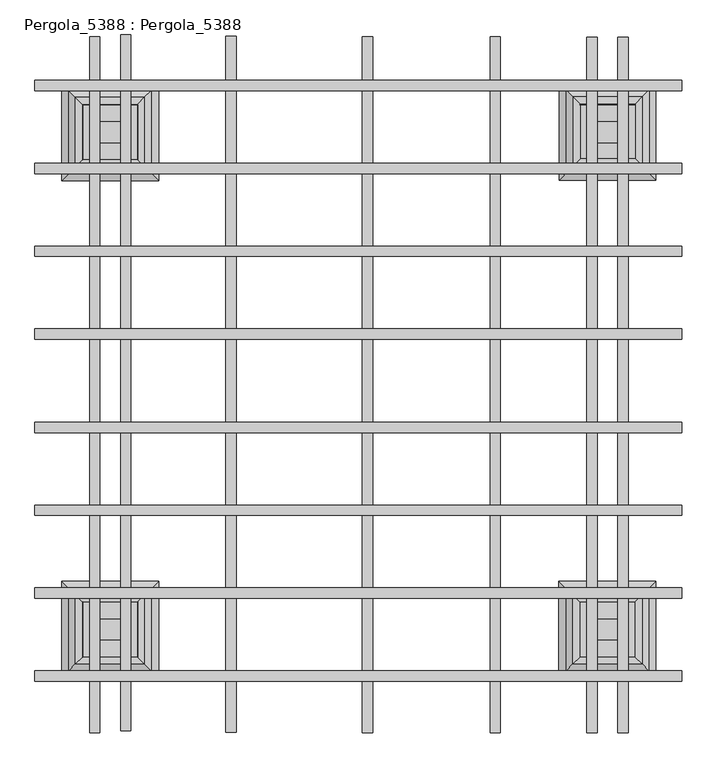
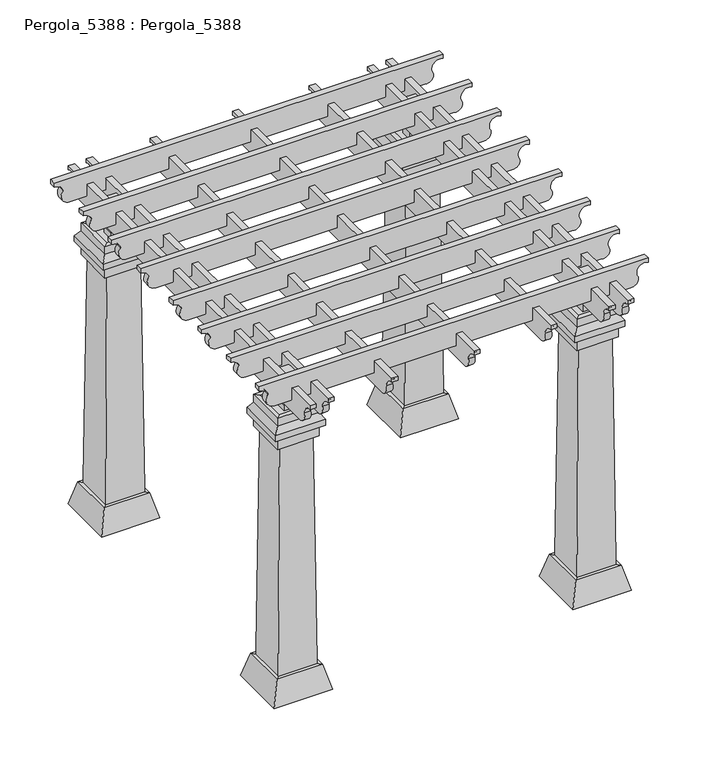
"""IFC4 building model written with IfcOpenShell, lengths in millimetres: proxy geometry, Pergola_5388 : Pergola_5388."""

from ifc_helpers import new_model, si_unit, point, frame, frame_2d, origin, place, context, project, spatial, polyline, circle_curve, trimmed, segment, composite_curve, outline, extrude, faceted_brep, source, transform, mapped, element, save


def pergola_5388_pergola_5388_b8e3ea8b(model_context):
    return source(origin(), model_context, "Body", "SolidModel", [
        extrude(outline(composite_curve([segment(polyline([(4142.2459168, 3785.9473348), (-548.5767424, 3785.9473348)]), True, "CONTINUOUS"), segment(trimmed(circle_curve(frame_2d((-548.5767424, 3892.9128828)), 106.965548), [point((-548.5767424, 3785.9473348))], [point((-649.7339722, 3927.681307))], False, "CARTESIAN"), True, "CONTINUOUS"), segment(trimmed(circle_curve(frame_2d((-762.0, 3927.681307)), 112.2660278), [point((-649.7339722, 3927.681307))], [point((-762.0, 4039.9473348))], True, "CARTESIAN"), True, "CONTINUOUS"), segment(polyline([(-762.0, 4039.9473348), (-762.0, 4090.7473348), (4355.6691745, 4090.7473348), (4355.6691745, 4039.9473348)]), True, "CONTINUOUS"), segment(trimmed(circle_curve(frame_2d((4310.9723112, 3954.4304844)), 96.4932189), [point((4355.6691745, 4039.9473348))], [point((4225.4554607, 3909.733621))], True, "CARTESIAN"), True, "CONTINUOUS"), segment(trimmed(circle_curve(frame_2d((4157.6852949, 3865.4289407)), 80.9672778), [point((4225.4554607, 3909.733621))], [point((4142.2459168, 3785.9473348))], False, "CARTESIAN"), True, "CONTINUOUS")], self_intersect=False)), frame((3505.2, 0.0, 0.0), z_axis=(1.0, 0.0, 0.0), x_axis=(0.0, 1.0, 0.0)), (0.0, 0.0, 1.0), 76.2),
        extrude(outline(composite_curve([segment(polyline([(4159.4392171, 3785.9473348), (-531.3834421, 3785.9473348)]), True, "CONTINUOUS"), segment(trimmed(circle_curve(frame_2d((-531.3834421, 3892.9128828)), 106.965548), [point((-531.3834421, 3785.9473348))], [point((-632.5406719, 3927.681307))], False, "CARTESIAN"), True, "CONTINUOUS"), segment(trimmed(circle_curve(frame_2d((-744.8066997, 3927.681307)), 112.2660278), [point((-632.5406719, 3927.681307))], [point((-744.8066997, 4039.9473348))], True, "CARTESIAN"), True, "CONTINUOUS"), segment(polyline([(-744.8066997, 4039.9473348), (-744.8066997, 4090.7473348), (4372.8624748, 4090.7473348), (4372.8624748, 4039.9473348)]), True, "CONTINUOUS"), segment(trimmed(circle_curve(frame_2d((4328.1656114, 3954.4304844)), 96.4932189), [point((4372.8624748, 4039.9473348))], [point((4242.648761, 3909.733621))], True, "CARTESIAN"), True, "CONTINUOUS"), segment(trimmed(circle_curve(frame_2d((4174.8785952, 3865.4289407)), 80.9672778), [point((4242.648761, 3909.733621))], [point((4159.4392171, 3785.9473348))], False, "CARTESIAN"), True, "CONTINUOUS")], self_intersect=False)), frame((76.2, 0.0, 0.0), z_axis=(1.0, 0.0, 0.0), x_axis=(0.0, 1.0, 0.0)), (0.0, 0.0, 1.0), 76.2),
        faceted_brep([(3935.2311668, -279.9975343, 304.8), (4011.4311668, -356.1975343, 0.0), (4011.4311668, 355.0024657, 0.0), (3935.2311668, 278.8024657, 304.8), (3859.0311668, -203.7975343, 304.8), (3859.0311668, 202.6024657, 304.8), (3859.0311668, -203.7975343, 0.0), (3859.0311668, 202.6024657, 0.0), (3300.2311668, 355.0024657, 0.0), (3376.4311668, 278.8024657, 304.8), (3452.6311668, 202.6024657, 304.8), (3452.6311668, 202.6024657, 0.0), (3300.2311668, -356.1975343, 0.0), (3376.4311668, -279.9975343, 304.8), (3452.6311668, -203.7975343, 304.8), (3452.6311668, -203.7975343, 0.0)], [[[0, 1, 2, 3]], [[4, 0, 3, 5]], [[6, 4, 5, 7]], [[1, 6, 7, 2]], [[3, 2, 8, 9]], [[5, 3, 9, 10]], [[7, 5, 10, 11]], [[2, 7, 11, 8]], [[9, 8, 12, 13]], [[10, 9, 13, 14]], [[11, 10, 14, 15]], [[8, 11, 15, 12]], [[13, 12, 1, 0]], [[14, 13, 0, 4]], [[15, 14, 4, 6]], [[12, 15, 6, 1]]]),
        faceted_brep([(3936.1684451, 3380.1519245, 304.8), (4012.3684451, 3303.9519245, 0.0), (4012.3684451, 4015.1519245, 0.0), (3936.1684451, 3938.9519245, 304.8), (3859.9684451, 3456.3519245, 304.8), (3859.9684451, 3862.7519245, 304.8), (3859.9684451, 3456.3519245, 0.0), (3859.9684451, 3862.7519245, 0.0), (3301.1684451, 4015.1519245, 0.0), (3377.3684451, 3938.9519245, 304.8), (3453.5684451, 3862.7519245, 304.8), (3453.5684451, 3862.7519245, 0.0), (3301.1684451, 3303.9519245, 0.0), (3377.3684451, 3380.1519245, 304.8), (3453.5684451, 3456.3519245, 304.8), (3453.5684451, 3456.3519245, 0.0)], [[[0, 1, 2, 3]], [[4, 0, 3, 5]], [[6, 4, 5, 7]], [[1, 6, 7, 2]], [[3, 2, 8, 9]], [[5, 3, 9, 10]], [[7, 5, 10, 11]], [[2, 7, 11, 8]], [[9, 8, 12, 13]], [[10, 9, 13, 14]], [[11, 10, 14, 15]], [[8, 11, 15, 12]], [[13, 12, 1, 0]], [[14, 13, 0, 4]], [[15, 14, 4, 6]], [[12, 15, 6, 1]]]),
        faceted_brep([(278.971182, 3378.5428358, 304.8), (355.171182, 3302.3428358, 0.0), (355.171182, 4013.5428358, 0.0), (278.971182, 3937.3428358, 304.8), (202.771182, 3454.7428358, 304.8), (202.771182, 3861.1428358, 304.8), (202.771182, 3454.7428358, 0.0), (202.771182, 3861.1428358, 0.0), (-356.028818, 4013.5428358, 0.0), (-279.828818, 3937.3428358, 304.8), (-203.628818, 3861.1428358, 304.8), (-203.628818, 3861.1428358, 0.0), (-356.028818, 3302.3428358, 0.0), (-279.828818, 3378.5428358, 304.8), (-203.628818, 3454.7428358, 304.8), (-203.628818, 3454.7428358, 0.0)], [[[0, 1, 2, 3]], [[4, 0, 3, 5]], [[6, 4, 5, 7]], [[1, 6, 7, 2]], [[3, 2, 8, 9]], [[5, 3, 9, 10]], [[7, 5, 10, 11]], [[2, 7, 11, 8]], [[9, 8, 12, 13]], [[10, 9, 13, 14]], [[11, 10, 14, 15]], [[8, 11, 15, 12]], [[13, 12, 1, 0]], [[14, 13, 0, 4]], [[15, 14, 4, 6]], [[12, 15, 6, 1]]]),
        faceted_brep([(3864.0636542, 3461.3981093, 3657.6), (3914.8636542, 3410.5981093, 3657.6), (3914.8636542, 3918.5981093, 3657.6), (3864.0636542, 3867.7981093, 3657.6), (3864.0636542, 3461.3981093, 3251.2), (3864.0636542, 3867.7981093, 3251.2), (3914.8636542, 3410.5981093, 3251.2), (3914.8636542, 3918.5981093, 3251.2), (3914.8636542, 3410.5981093, 3403.6), (3914.8636542, 3918.5981093, 3403.6), (3965.6636542, 3359.7981093, 3403.6), (3965.6636542, 3969.3981093, 3403.6), (3965.6636542, 3359.7981093, 3479.8), (3965.6636542, 3969.3981093, 3479.8), (3914.8636542, 3410.5981093, 3556.0), (3914.8636542, 3918.5981093, 3556.0), (3406.8636542, 3918.5981093, 3657.6), (3457.6636542, 3867.7981093, 3657.6), (3457.6636542, 3867.7981093, 3251.2), (3406.8636542, 3918.5981093, 3251.2), (3406.8636542, 3918.5981093, 3403.6), (3356.0636542, 3969.3981093, 3403.6), (3356.0636542, 3969.3981093, 3479.8), (3406.8636542, 3918.5981093, 3556.0), (3406.8636542, 3410.5981093, 3657.6), (3457.6636542, 3461.3981093, 3657.6), (3457.6636542, 3461.3981093, 3251.2), (3406.8636542, 3410.5981093, 3251.2), (3406.8636542, 3410.5981093, 3403.6), (3356.0636542, 3359.7981093, 3403.6), (3356.0636542, 3359.7981093, 3479.8), (3406.8636542, 3410.5981093, 3556.0)], [[[0, 1, 2, 3]], [[4, 0, 3, 5]], [[6, 4, 5, 7]], [[8, 6, 7, 9]], [[10, 8, 9, 11]], [[12, 10, 11, 13]], [[14, 12, 13, 15]], [[1, 14, 15, 2]], [[3, 2, 16, 17]], [[5, 3, 17, 18]], [[7, 5, 18, 19]], [[9, 7, 19, 20]], [[11, 9, 20, 21]], [[13, 11, 21, 22]], [[15, 13, 22, 23]], [[2, 15, 23, 16]], [[17, 16, 24, 25]], [[18, 17, 25, 26]], [[19, 18, 26, 27]], [[20, 19, 27, 28]], [[21, 20, 28, 29]], [[22, 21, 29, 30]], [[23, 22, 30, 31]], [[16, 23, 31, 24]], [[25, 24, 1, 0]], [[26, 25, 0, 4]], [[27, 26, 4, 6]], [[28, 27, 6, 8]], [[29, 28, 8, 10]], [[30, 29, 10, 12]], [[31, 30, 12, 14]], [[24, 31, 14, 1]]]),
        faceted_brep([(201.178572, 3455.6748513, 3657.6), (251.978572, 3404.8748513, 3657.6), (251.978572, 3912.8748513, 3657.6), (201.178572, 3862.0748513, 3657.6), (201.178572, 3455.6748513, 3251.2), (201.178572, 3862.0748513, 3251.2), (251.978572, 3404.8748513, 3251.2), (251.978572, 3912.8748513, 3251.2), (251.978572, 3404.8748513, 3403.6), (251.978572, 3912.8748513, 3403.6), (302.778572, 3354.0748513, 3403.6), (302.778572, 3963.6748513, 3403.6), (302.778572, 3354.0748513, 3479.8), (302.778572, 3963.6748513, 3479.8), (251.978572, 3404.8748513, 3556.0), (251.978572, 3912.8748513, 3556.0), (-256.021428, 3912.8748513, 3657.6), (-205.221428, 3862.0748513, 3657.6), (-205.221428, 3862.0748513, 3251.2), (-256.021428, 3912.8748513, 3251.2), (-256.021428, 3912.8748513, 3403.6), (-306.821428, 3963.6748513, 3403.6), (-306.821428, 3963.6748513, 3479.8), (-256.021428, 3912.8748513, 3556.0), (-256.021428, 3404.8748513, 3657.6), (-205.221428, 3455.6748513, 3657.6), (-205.221428, 3455.6748513, 3251.2), (-256.021428, 3404.8748513, 3251.2), (-256.021428, 3404.8748513, 3403.6), (-306.821428, 3354.0748513, 3403.6), (-306.821428, 3354.0748513, 3479.8), (-256.021428, 3404.8748513, 3556.0)], [[[0, 1, 2, 3]], [[4, 0, 3, 5]], [[6, 4, 5, 7]], [[8, 6, 7, 9]], [[10, 8, 9, 11]], [[12, 10, 11, 13]], [[14, 12, 13, 15]], [[1, 14, 15, 2]], [[3, 2, 16, 17]], [[5, 3, 17, 18]], [[7, 5, 18, 19]], [[9, 7, 19, 20]], [[11, 9, 20, 21]], [[13, 11, 21, 22]], [[15, 13, 22, 23]], [[2, 15, 23, 16]], [[17, 16, 24, 25]], [[18, 17, 25, 26]], [[19, 18, 26, 27]], [[20, 19, 27, 28]], [[21, 20, 28, 29]], [[22, 21, 29, 30]], [[23, 22, 30, 31]], [[16, 23, 31, 24]], [[25, 24, 1, 0]], [[26, 25, 0, 4]], [[27, 26, 4, 6]], [[28, 27, 6, 8]], [[29, 28, 8, 10]], [[30, 29, 10, 12]], [[31, 30, 12, 14]], [[24, 31, 14, 1]]]),
        faceted_brep([(201.178572, -203.2, 3657.6), (251.978572, -254.0, 3657.6), (251.978572, 254.0, 3657.6), (201.178572, 203.2, 3657.6), (201.178572, -203.2, 3251.2), (201.178572, 203.2, 3251.2), (251.978572, -254.0, 3251.2), (251.978572, 254.0, 3251.2), (251.978572, -254.0, 3403.6), (251.978572, 254.0, 3403.6), (302.778572, -304.8, 3403.6), (302.778572, 304.8, 3403.6), (302.778572, -304.8, 3479.8), (302.778572, 304.8, 3479.8), (251.978572, -254.0, 3556.0), (251.978572, 254.0, 3556.0), (-256.021428, 254.0, 3657.6), (-205.221428, 203.2, 3657.6), (-205.221428, 203.2, 3251.2), (-256.021428, 254.0, 3251.2), (-256.021428, 254.0, 3403.6), (-306.821428, 304.8, 3403.6), (-306.821428, 304.8, 3479.8), (-256.021428, 254.0, 3556.0), (-256.021428, -254.0, 3657.6), (-205.221428, -203.2, 3657.6), (-205.221428, -203.2, 3251.2), (-256.021428, -254.0, 3251.2), (-256.021428, -254.0, 3403.6), (-306.821428, -304.8, 3403.6), (-306.821428, -304.8, 3479.8), (-256.021428, -254.0, 3556.0)], [[[0, 1, 2, 3]], [[4, 0, 3, 5]], [[6, 4, 5, 7]], [[8, 6, 7, 9]], [[10, 8, 9, 11]], [[12, 10, 11, 13]], [[14, 12, 13, 15]], [[1, 14, 15, 2]], [[3, 2, 16, 17]], [[5, 3, 17, 18]], [[7, 5, 18, 19]], [[9, 7, 19, 20]], [[11, 9, 20, 21]], [[13, 11, 21, 22]], [[15, 13, 22, 23]], [[2, 15, 23, 16]], [[17, 16, 24, 25]], [[18, 17, 25, 26]], [[19, 18, 26, 27]], [[20, 19, 27, 28]], [[21, 20, 28, 29]], [[22, 21, 29, 30]], [[23, 22, 30, 31]], [[16, 23, 31, 24]], [[25, 24, 1, 0]], [[26, 25, 0, 4]], [[27, 26, 4, 6]], [[28, 27, 6, 8]], [[29, 28, 8, 10]], [[30, 29, 10, 12]], [[31, 30, 12, 14]], [[24, 31, 14, 1]]]),
        extrude(outline(composite_curve([segment(trimmed(circle_curve(frame_2d((4016.722767, 4007.0715628)), 80.9672778), [point((3937.2411611, 3991.6321847))], [point((4061.0274473, 4074.8417286))], False, "CARTESIAN"), True, "CONTINUOUS"), segment(trimmed(circle_curve(frame_2d((4105.7243106, 4160.3585791)), 96.4932189), [point((4061.0274473, 4074.8417286))], [point((4191.2411611, 4205.0554424))], True, "CARTESIAN"), True, "CONTINUOUS"), segment(polyline([(4191.2411611, 4205.0554424), (4245.9633955, 4205.0554424), (4245.9633955, -554.0976937), (4191.2411611, -554.0976937)]), True, "CONTINUOUS"), segment(trimmed(circle_curve(frame_2d((4078.9751333, -554.0976937)), 112.2660278), [point((4191.2411611, -554.0976937))], [point((4111.8041264, -446.7388644))], True, "CARTESIAN"), True, "CONTINUOUS"), segment(trimmed(circle_curve(frame_2d((4044.2067091, -363.8400246)), 106.965548), [point((4111.8041264, -446.7388644))], [point((3937.2411611, -363.8400246))], False, "CARTESIAN"), True, "CONTINUOUS"), segment(polyline([(3937.2411611, -363.8400246), (3937.2411611, 3991.6321847)]), True, "CONTINUOUS")], self_intersect=False)), frame((0.0, -381.0, 0.0), z_axis=(0.0, 1.0, 0.0), x_axis=(0.0, 0.0, 1.0)), (0.0, 0.0, 1.0), 76.2),
        extrude(outline(composite_curve([segment(trimmed(circle_curve(frame_2d((4016.722767, 4007.0715628)), 80.9672778), [point((3937.2411611, 3991.6321847))], [point((4061.0274473, 4074.8417286))], False, "CARTESIAN"), True, "CONTINUOUS"), segment(trimmed(circle_curve(frame_2d((4105.7243106, 4160.3585791)), 96.4932189), [point((4061.0274473, 4074.8417286))], [point((4191.2411611, 4205.0554424))], True, "CARTESIAN"), True, "CONTINUOUS"), segment(polyline([(4191.2411611, 4205.0554424), (4245.9633955, 4205.0554424), (4245.9633955, -554.0976937), (4191.2411611, -554.0976937)]), True, "CONTINUOUS"), segment(trimmed(circle_curve(frame_2d((4078.9751333, -554.0976937)), 112.2660278), [point((4191.2411611, -554.0976937))], [point((4111.8041264, -446.7388644))], True, "CARTESIAN"), True, "CONTINUOUS"), segment(trimmed(circle_curve(frame_2d((4044.2067091, -363.8400246)), 106.965548), [point((4111.8041264, -446.7388644))], [point((3937.2411611, -363.8400246))], False, "CARTESIAN"), True, "CONTINUOUS"), segment(polyline([(3937.2411611, -363.8400246), (3937.2411611, 3991.6321847)]), True, "CONTINUOUS")], self_intersect=False)), frame((0.0, 228.6, 0.0), z_axis=(0.0, 1.0, 0.0), x_axis=(0.0, 0.0, 1.0)), (0.0, 0.0, 1.0), 76.2),
        extrude(outline(composite_curve([segment(trimmed(circle_curve(frame_2d((4016.722767, 4007.0715628)), 80.9672778), [point((3937.2411611, 3991.6321847))], [point((4061.0274473, 4074.8417286))], False, "CARTESIAN"), True, "CONTINUOUS"), segment(trimmed(circle_curve(frame_2d((4105.7243106, 4160.3585791)), 96.4932189), [point((4061.0274473, 4074.8417286))], [point((4191.2411611, 4205.0554424))], True, "CARTESIAN"), True, "CONTINUOUS"), segment(polyline([(4191.2411611, 4205.0554424), (4245.9633955, 4205.0554424), (4245.9633955, -554.0976937), (4191.2411611, -554.0976937)]), True, "CONTINUOUS"), segment(trimmed(circle_curve(frame_2d((4078.9751333, -554.0976937)), 112.2660278), [point((4191.2411611, -554.0976937))], [point((4111.8041264, -446.7388644))], True, "CARTESIAN"), True, "CONTINUOUS"), segment(trimmed(circle_curve(frame_2d((4044.2067091, -363.8400246)), 106.965548), [point((4111.8041264, -446.7388644))], [point((3937.2411611, -363.8400246))], False, "CARTESIAN"), True, "CONTINUOUS"), segment(polyline([(3937.2411611, -363.8400246), (3937.2411611, 3991.6321847)]), True, "CONTINUOUS")], self_intersect=False)), frame((0.0, 838.2, 0.0), z_axis=(0.0, 1.0, 0.0), x_axis=(0.0, 0.0, 1.0)), (0.0, 0.0, 1.0), 76.2),
        extrude(outline(composite_curve([segment(trimmed(circle_curve(frame_2d((4016.722767, 4007.0715628)), 80.9672778), [point((3937.2411611, 3991.6321847))], [point((4061.0274473, 4074.8417286))], False, "CARTESIAN"), True, "CONTINUOUS"), segment(trimmed(circle_curve(frame_2d((4105.7243106, 4160.3585791)), 96.4932189), [point((4061.0274473, 4074.8417286))], [point((4191.2411611, 4205.0554424))], True, "CARTESIAN"), True, "CONTINUOUS"), segment(polyline([(4191.2411611, 4205.0554424), (4245.9633955, 4205.0554424), (4245.9633955, -554.0976937), (4191.2411611, -554.0976937)]), True, "CONTINUOUS"), segment(trimmed(circle_curve(frame_2d((4078.9751333, -554.0976937)), 112.2660278), [point((4191.2411611, -554.0976937))], [point((4111.8041264, -446.7388644))], True, "CARTESIAN"), True, "CONTINUOUS"), segment(trimmed(circle_curve(frame_2d((4044.2067091, -363.8400246)), 106.965548), [point((4111.8041264, -446.7388644))], [point((3937.2411611, -363.8400246))], False, "CARTESIAN"), True, "CONTINUOUS"), segment(polyline([(3937.2411611, -363.8400246), (3937.2411611, 3991.6321847)]), True, "CONTINUOUS")], self_intersect=False)), frame((0.0, 1447.8, 0.0), z_axis=(0.0, 1.0, 0.0), x_axis=(0.0, 0.0, 1.0)), (0.0, 0.0, 1.0), 76.2),
        extrude(outline(composite_curve([segment(trimmed(circle_curve(frame_2d((4016.722767, 4007.0715628)), 80.9672778), [point((3937.2411611, 3991.6321847))], [point((4061.0274473, 4074.8417286))], False, "CARTESIAN"), True, "CONTINUOUS"), segment(trimmed(circle_curve(frame_2d((4105.7243106, 4160.3585791)), 96.4932189), [point((4061.0274473, 4074.8417286))], [point((4191.2411611, 4205.0554424))], True, "CARTESIAN"), True, "CONTINUOUS"), segment(polyline([(4191.2411611, 4205.0554424), (4245.9633955, 4205.0554424), (4245.9633955, -554.0976937), (4191.2411611, -554.0976937)]), True, "CONTINUOUS"), segment(trimmed(circle_curve(frame_2d((4078.9751333, -554.0976937)), 112.2660278), [point((4191.2411611, -554.0976937))], [point((4111.8041264, -446.7388644))], True, "CARTESIAN"), True, "CONTINUOUS"), segment(trimmed(circle_curve(frame_2d((4044.2067091, -363.8400246)), 106.965548), [point((4111.8041264, -446.7388644))], [point((3937.2411611, -363.8400246))], False, "CARTESIAN"), True, "CONTINUOUS"), segment(polyline([(3937.2411611, -363.8400246), (3937.2411611, 3991.6321847)]), True, "CONTINUOUS")], self_intersect=False)), frame((0.0, 2133.6, 0.0), z_axis=(0.0, 1.0, 0.0), x_axis=(0.0, 0.0, 1.0)), (0.0, 0.0, 1.0), 76.2),
        extrude(outline(composite_curve([segment(trimmed(circle_curve(frame_2d((4016.722767, 4007.0715628)), 80.9672778), [point((3937.2411611, 3991.6321847))], [point((4061.0274473, 4074.8417286))], False, "CARTESIAN"), True, "CONTINUOUS"), segment(trimmed(circle_curve(frame_2d((4105.7243106, 4160.3585791)), 96.4932189), [point((4061.0274473, 4074.8417286))], [point((4191.2411611, 4205.0554424))], True, "CARTESIAN"), True, "CONTINUOUS"), segment(polyline([(4191.2411611, 4205.0554424), (4245.9633955, 4205.0554424), (4245.9633955, -554.0976937), (4191.2411611, -554.0976937)]), True, "CONTINUOUS"), segment(trimmed(circle_curve(frame_2d((4078.9751333, -554.0976937)), 112.2660278), [point((4191.2411611, -554.0976937))], [point((4111.8041264, -446.7388644))], True, "CARTESIAN"), True, "CONTINUOUS"), segment(trimmed(circle_curve(frame_2d((4044.2067091, -363.8400246)), 106.965548), [point((4111.8041264, -446.7388644))], [point((3937.2411611, -363.8400246))], False, "CARTESIAN"), True, "CONTINUOUS"), segment(polyline([(3937.2411611, -363.8400246), (3937.2411611, 3991.6321847)]), True, "CONTINUOUS")], self_intersect=False)), frame((0.0, 2743.2, 0.0), z_axis=(0.0, 1.0, 0.0), x_axis=(0.0, 0.0, 1.0)), (0.0, 0.0, 1.0), 76.2),
        extrude(outline(composite_curve([segment(trimmed(circle_curve(frame_2d((4016.722767, 4007.0715628)), 80.9672778), [point((3937.2411611, 3991.6321847))], [point((4061.0274473, 4074.8417286))], False, "CARTESIAN"), True, "CONTINUOUS"), segment(trimmed(circle_curve(frame_2d((4105.7243106, 4160.3585791)), 96.4932189), [point((4061.0274473, 4074.8417286))], [point((4191.2411611, 4205.0554424))], True, "CARTESIAN"), True, "CONTINUOUS"), segment(polyline([(4191.2411611, 4205.0554424), (4245.9633955, 4205.0554424), (4245.9633955, -554.0976937), (4191.2411611, -554.0976937)]), True, "CONTINUOUS"), segment(trimmed(circle_curve(frame_2d((4078.9751333, -554.0976937)), 112.2660278), [point((4191.2411611, -554.0976937))], [point((4111.8041264, -446.7388644))], True, "CARTESIAN"), True, "CONTINUOUS"), segment(trimmed(circle_curve(frame_2d((4044.2067091, -363.8400246)), 106.965548), [point((4111.8041264, -446.7388644))], [point((3937.2411611, -363.8400246))], False, "CARTESIAN"), True, "CONTINUOUS"), segment(polyline([(3937.2411611, -363.8400246), (3937.2411611, 3991.6321847)]), True, "CONTINUOUS")], self_intersect=False)), frame((0.0, 3352.8, 0.0), z_axis=(0.0, 1.0, 0.0), x_axis=(0.0, 0.0, 1.0)), (0.0, 0.0, 1.0), 76.2),
        extrude(outline(composite_curve([segment(polyline([(4145.2990994, 3785.9473348), (-545.5235598, 3785.9473348)]), True, "CONTINUOUS"), segment(trimmed(circle_curve(frame_2d((-545.5235598, 3892.9128828)), 106.965548), [point((-545.5235598, 3785.9473348))], [point((-646.6807896, 3927.681307))], False, "CARTESIAN"), True, "CONTINUOUS"), segment(trimmed(circle_curve(frame_2d((-758.9468174, 3927.681307)), 112.2660278), [point((-646.6807896, 3927.681307))], [point((-758.9468174, 4039.9473348))], True, "CARTESIAN"), True, "CONTINUOUS"), segment(polyline([(-758.9468174, 4039.9473348), (-758.9468174, 4090.7473348), (4358.7223571, 4090.7473348), (4358.7223571, 4039.9473348)]), True, "CONTINUOUS"), segment(trimmed(circle_curve(frame_2d((4314.0254938, 3954.4304844)), 96.4932189), [point((4358.7223571, 4039.9473348))], [point((4228.5086433, 3909.733621))], True, "CARTESIAN"), True, "CONTINUOUS"), segment(trimmed(circle_curve(frame_2d((4160.7384775, 3865.4289407)), 80.9672778), [point((4228.5086433, 3909.733621))], [point((4145.2990994, 3785.9473348))], False, "CARTESIAN"), True, "CONTINUOUS")], self_intersect=False)), frame((1854.2, 0.0, 0.0), z_axis=(1.0, 0.0, 0.0), x_axis=(0.0, 1.0, 0.0)), (0.0, 0.0, 1.0), 76.2),
        extrude(outline(composite_curve([segment(polyline([(4145.2990994, 3785.9473348), (-545.5235598, 3785.9473348)]), True, "CONTINUOUS"), segment(trimmed(circle_curve(frame_2d((-545.5235598, 3892.9128828)), 106.965548), [point((-545.5235598, 3785.9473348))], [point((-646.6807896, 3927.681307))], False, "CARTESIAN"), True, "CONTINUOUS"), segment(trimmed(circle_curve(frame_2d((-758.9468174, 3927.681307)), 112.2660278), [point((-646.6807896, 3927.681307))], [point((-758.9468174, 4039.9473348))], True, "CARTESIAN"), True, "CONTINUOUS"), segment(polyline([(-758.9468174, 4039.9473348), (-758.9468174, 4090.7473348), (4358.7223571, 4090.7473348), (4358.7223571, 4039.9473348)]), True, "CONTINUOUS"), segment(trimmed(circle_curve(frame_2d((4314.0254938, 3954.4304844)), 96.4932189), [point((4358.7223571, 4039.9473348))], [point((4228.5086433, 3909.733621))], True, "CARTESIAN"), True, "CONTINUOUS"), segment(trimmed(circle_curve(frame_2d((4160.7384775, 3865.4289407)), 80.9672778), [point((4228.5086433, 3909.733621))], [point((4145.2990994, 3785.9473348))], False, "CARTESIAN"), True, "CONTINUOUS")], self_intersect=False)), frame((2794.0, 0.0, 0.0), z_axis=(1.0, 0.0, 0.0), x_axis=(0.0, 1.0, 0.0)), (0.0, 0.0, 1.0), 76.2),
        extrude(outline(composite_curve([segment(polyline([(4148.5959168, 3785.9473348), (-542.2267424, 3785.9473348)]), True, "CONTINUOUS"), segment(trimmed(circle_curve(frame_2d((-542.2267424, 3892.9128828)), 106.965548), [point((-542.2267424, 3785.9473348))], [point((-643.3839722, 3927.681307))], False, "CARTESIAN"), True, "CONTINUOUS"), segment(trimmed(circle_curve(frame_2d((-755.65, 3927.681307)), 112.2660278), [point((-643.3839722, 3927.681307))], [point((-755.65, 4039.9473348))], True, "CARTESIAN"), True, "CONTINUOUS"), segment(polyline([(-755.65, 4039.9473348), (-755.65, 4090.7473348), (4362.0191745, 4090.7473348), (4362.0191745, 4039.9473348)]), True, "CONTINUOUS"), segment(trimmed(circle_curve(frame_2d((4317.3223112, 3954.4304844)), 96.4932189), [point((4362.0191745, 4039.9473348))], [point((4231.8054607, 3909.733621))], True, "CARTESIAN"), True, "CONTINUOUS"), segment(trimmed(circle_curve(frame_2d((4164.0352949, 3865.4289407)), 80.9672778), [point((4231.8054607, 3909.733621))], [point((4148.5959168, 3785.9473348))], False, "CARTESIAN"), True, "CONTINUOUS")], self_intersect=False)), frame((850.9, 0.0, 0.0), z_axis=(1.0, 0.0, 0.0), x_axis=(0.0, 1.0, 0.0)), (0.0, 0.0, 1.0), 76.2),
        extrude(outline(composite_curve([segment(polyline([(4142.2459168, 3785.9473348), (-548.5767424, 3785.9473348)]), True, "CONTINUOUS"), segment(trimmed(circle_curve(frame_2d((-548.5767424, 3892.9128828)), 106.965548), [point((-548.5767424, 3785.9473348))], [point((-649.7339722, 3927.681307))], False, "CARTESIAN"), True, "CONTINUOUS"), segment(trimmed(circle_curve(frame_2d((-762.0, 3927.681307)), 112.2660278), [point((-649.7339722, 3927.681307))], [point((-762.0, 4039.9473348))], True, "CARTESIAN"), True, "CONTINUOUS"), segment(polyline([(-762.0, 4039.9473348), (-762.0, 4090.7473348), (4355.6691745, 4090.7473348), (4355.6691745, 4039.9473348)]), True, "CONTINUOUS"), segment(trimmed(circle_curve(frame_2d((4310.9723112, 3954.4304844)), 96.4932189), [point((4355.6691745, 4039.9473348))], [point((4225.4554607, 3909.733621))], True, "CARTESIAN"), True, "CONTINUOUS"), segment(trimmed(circle_curve(frame_2d((4157.6852949, 3865.4289407)), 80.9672778), [point((4225.4554607, 3909.733621))], [point((4142.2459168, 3785.9473348))], False, "CARTESIAN"), True, "CONTINUOUS")], self_intersect=False)), frame((3733.8, 0.0, 0.0), z_axis=(1.0, 0.0, 0.0), x_axis=(0.0, 1.0, 0.0)), (0.0, 0.0, 1.0), 76.2),
        extrude(outline(composite_curve([segment(trimmed(circle_curve(frame_2d((4016.722767, 4007.0715628)), 80.9672778), [point((3937.2411611, 3991.6321847))], [point((4061.0274473, 4074.8417286))], False, "CARTESIAN"), True, "CONTINUOUS"), segment(trimmed(circle_curve(frame_2d((4105.7243106, 4160.3585791)), 96.4932189), [point((4061.0274473, 4074.8417286))], [point((4191.2411611, 4205.0554424))], True, "CARTESIAN"), True, "CONTINUOUS"), segment(polyline([(4191.2411611, 4205.0554424), (4245.9633955, 4205.0554424), (4245.9633955, -554.0976937), (4191.2411611, -554.0976937)]), True, "CONTINUOUS"), segment(trimmed(circle_curve(frame_2d((4078.9751333, -554.0976937)), 112.2660278), [point((4191.2411611, -554.0976937))], [point((4111.8041264, -446.7388644))], True, "CARTESIAN"), True, "CONTINUOUS"), segment(trimmed(circle_curve(frame_2d((4044.2067091, -363.8400246)), 106.965548), [point((4111.8041264, -446.7388644))], [point((3937.2411611, -363.8400246))], False, "CARTESIAN"), True, "CONTINUOUS"), segment(polyline([(3937.2411611, -363.8400246), (3937.2411611, 3991.6321847)]), True, "CONTINUOUS")], self_intersect=False)), frame((0.0, 3962.4, 0.0), z_axis=(0.0, 1.0, 0.0), x_axis=(0.0, 0.0, 1.0)), (0.0, 0.0, 1.0), 76.2),
        faceted_brep([(3860.8, 3860.8, 3581.4), (3454.4, 3860.8, 3581.4), (3454.4, 3454.4, 3581.4), (3860.8, 3454.4, 3581.4), (3898.9, 3898.9, 0.0), (3898.9, 3416.3, 0.0), (3416.3, 3416.3, 0.0), (3416.3, 3898.9, 0.0)], [[[0, 1, 2, 3]], [[4, 5, 6, 7]], [[4, 7, 1, 0]], [[7, 6, 2, 1]], [[6, 5, 3, 2]], [[5, 4, 0, 3]]]),
        faceted_brep([(203.2, 3860.8, 3581.4), (-203.2, 3860.8, 3581.4), (-203.2, 3454.4, 3581.4), (203.2, 3454.4, 3581.4), (241.3, 3898.9, 0.0), (241.3, 3416.3, 0.0), (-241.3, 3416.3, 0.0), (-241.3, 3898.9, 0.0)], [[[0, 1, 2, 3]], [[4, 5, 6, 7]], [[4, 7, 1, 0]], [[7, 6, 2, 1]], [[6, 5, 3, 2]], [[5, 4, 0, 3]]]),
        faceted_brep([(3860.8, 203.2, 3581.4), (3454.4, 203.2, 3581.4), (3454.4, -203.2, 3581.4), (3860.8, -203.2, 3581.4), (3898.9, 241.3, 0.0), (3898.9, -241.3, 0.0), (3416.3, -241.3, 0.0), (3416.3, 241.3, 0.0)], [[[0, 1, 2, 3]], [[4, 5, 6, 7]], [[4, 7, 1, 0]], [[7, 6, 2, 1]], [[6, 5, 3, 2]], [[5, 4, 0, 3]]]),
        faceted_brep([(279.4, -279.4, 304.8), (355.6, -355.6, 0.0), (355.6, 355.6, 0.0), (279.4, 279.4, 304.8), (203.2, -203.2, 304.8), (203.2, 203.2, 304.8), (203.2, -203.2, 0.0), (203.2, 203.2, 0.0), (-355.6, 355.6, 0.0), (-279.4, 279.4, 304.8), (-203.2, 203.2, 304.8), (-203.2, 203.2, 0.0), (-355.6, -355.6, 0.0), (-279.4, -279.4, 304.8), (-203.2, -203.2, 304.8), (-203.2, -203.2, 0.0)], [[[0, 1, 2, 3]], [[4, 0, 3, 5]], [[6, 4, 5, 7]], [[1, 6, 7, 2]], [[3, 2, 8, 9]], [[5, 3, 9, 10]], [[7, 5, 10, 11]], [[2, 7, 11, 8]], [[9, 8, 12, 13]], [[10, 9, 13, 14]], [[11, 10, 14, 15]], [[8, 11, 15, 12]], [[13, 12, 1, 0]], [[14, 13, 0, 4]], [[15, 14, 4, 6]], [[12, 15, 6, 1]]]),
        faceted_brep([(203.2, 203.2, 3581.4), (-203.2, 203.2, 3581.4), (-203.2, -203.2, 3581.4), (203.2, -203.2, 3581.4), (241.3, 241.3, 0.0), (241.3, -241.3, 0.0), (-241.3, -241.3, 0.0), (-241.3, 241.3, 0.0)], [[[0, 1, 2, 3]], [[4, 5, 6, 7]], [[4, 7, 1, 0]], [[7, 6, 2, 1]], [[6, 5, 3, 2]], [[5, 4, 0, 3]]]),
        extrude(outline(polyline([(3733.8, 3581.4), (3581.4, 3581.4), (3581.4, 3733.8), (3733.8, 3733.8), (3733.8, 3581.4)])), frame((0.0, 0.0, 3581.4), z_axis=(0.0, 0.0, 1.0), x_axis=(1.0, 0.0, 0.0)), (0.0, 0.0, 1.0), 457.2),
        extrude(outline(polyline([(76.2, 3581.4), (-76.2, 3581.4), (-76.2, 3733.8), (76.2, 3733.8), (76.2, 3581.4)])), frame((0.0, 0.0, 3657.6), z_axis=(0.0, 0.0, 1.0), x_axis=(1.0, 0.0, 0.0)), (0.0, 0.0, 1.0), 304.8),
        extrude(outline(polyline([(3733.8, -76.2), (3581.4, -76.2), (3581.4, 76.2), (3733.8, 76.2), (3733.8, -76.2)])), frame((0.0, 0.0, 3581.4), z_axis=(0.0, 0.0, 1.0), x_axis=(1.0, 0.0, 0.0)), (0.0, 0.0, 1.0), 457.2),
        faceted_brep([(3860.8, -203.2, 3657.6), (3911.6, -254.0, 3657.6), (3911.6, 254.0, 3657.6), (3860.8, 203.2, 3657.6), (3860.8, -203.2, 3251.2), (3860.8, 203.2, 3251.2), (3911.6, -254.0, 3251.2), (3911.6, 254.0, 3251.2), (3911.6, -254.0, 3403.6), (3911.6, 254.0, 3403.6), (3962.4, -304.8, 3403.6), (3962.4, 304.8, 3403.6), (3962.4, -304.8, 3479.8), (3962.4, 304.8, 3479.8), (3911.6, -254.0, 3556.0), (3911.6, 254.0, 3556.0), (3403.6, 254.0, 3657.6), (3454.4, 203.2, 3657.6), (3454.4, 203.2, 3251.2), (3403.6, 254.0, 3251.2), (3403.6, 254.0, 3403.6), (3352.8, 304.8, 3403.6), (3352.8, 304.8, 3479.8), (3403.6, 254.0, 3556.0), (3403.6, -254.0, 3657.6), (3454.4, -203.2, 3657.6), (3454.4, -203.2, 3251.2), (3403.6, -254.0, 3251.2), (3403.6, -254.0, 3403.6), (3352.8, -304.8, 3403.6), (3352.8, -304.8, 3479.8), (3403.6, -254.0, 3556.0)], [[[0, 1, 2, 3]], [[4, 0, 3, 5]], [[6, 4, 5, 7]], [[8, 6, 7, 9]], [[10, 8, 9, 11]], [[12, 10, 11, 13]], [[14, 12, 13, 15]], [[1, 14, 15, 2]], [[3, 2, 16, 17]], [[5, 3, 17, 18]], [[7, 5, 18, 19]], [[9, 7, 19, 20]], [[11, 9, 20, 21]], [[13, 11, 21, 22]], [[15, 13, 22, 23]], [[2, 15, 23, 16]], [[17, 16, 24, 25]], [[18, 17, 25, 26]], [[19, 18, 26, 27]], [[20, 19, 27, 28]], [[21, 20, 28, 29]], [[22, 21, 29, 30]], [[23, 22, 30, 31]], [[16, 23, 31, 24]], [[25, 24, 1, 0]], [[26, 25, 0, 4]], [[27, 26, 4, 6]], [[28, 27, 6, 8]], [[29, 28, 8, 10]], [[30, 29, 10, 12]], [[31, 30, 12, 14]], [[24, 31, 14, 1]]]),
        extrude(outline(polyline([(76.2, -76.2), (-76.2, -76.2), (-76.2, 76.2), (76.2, 76.2), (76.2, -76.2)])), frame((0.0, 0.0, 3657.6), z_axis=(0.0, 0.0, 1.0), x_axis=(1.0, 0.0, 0.0)), (0.0, 0.0, 1.0), 304.8),
        extrude(outline(composite_curve([segment(polyline([(4145.2990994, 3785.9473348), (-545.5235598, 3785.9473348)]), True, "CONTINUOUS"), segment(trimmed(circle_curve(frame_2d((-545.5235598, 3892.9128828)), 106.965548), [point((-545.5235598, 3785.9473348))], [point((-646.6807896, 3927.681307))], False, "CARTESIAN"), True, "CONTINUOUS"), segment(trimmed(circle_curve(frame_2d((-758.9468174, 3927.681307)), 112.2660278), [point((-646.6807896, 3927.681307))], [point((-758.9468174, 4039.9473348))], True, "CARTESIAN"), True, "CONTINUOUS"), segment(polyline([(-758.9468174, 4039.9473348), (-758.9468174, 4090.7473348), (4358.7223571, 4090.7473348), (4358.7223571, 4039.9473348)]), True, "CONTINUOUS"), segment(trimmed(circle_curve(frame_2d((4314.0254938, 3954.4304844)), 96.4932189), [point((4358.7223571, 4039.9473348))], [point((4228.5086433, 3909.733621))], True, "CARTESIAN"), True, "CONTINUOUS"), segment(trimmed(circle_curve(frame_2d((4160.7384775, 3865.4289407)), 80.9672778), [point((4228.5086433, 3909.733621))], [point((4145.2990994, 3785.9473348))], False, "CARTESIAN"), True, "CONTINUOUS")], self_intersect=False)), frame((-152.4, 0.0, 0.0), z_axis=(1.0, 0.0, 0.0), x_axis=(0.0, 1.0, 0.0)), (0.0, 0.0, 1.0), 76.2),
        extrude(outline(polyline([(76.2, 3581.4), (-76.2, 3581.4), (-76.2, 3733.8), (76.2, 3733.8), (76.2, 3581.4)])), frame((0.0, 0.0, 3581.4), z_axis=(0.0, 0.0, 1.0), x_axis=(1.0, 0.0, 0.0)), (0.0, 0.0, 1.0), 457.2),
        extrude(outline(polyline([(76.2, 3581.4), (-76.2, 3581.4), (-76.2, 3733.8), (76.2, 3733.8), (76.2, 3581.4)])), frame((0.0, 0.0, 3657.6), z_axis=(0.0, 0.0, 1.0), x_axis=(1.0, 0.0, 0.0)), (0.0, 0.0, 1.0), 304.8),
        extrude(outline(polyline([(76.2, -76.2), (-76.2, -76.2), (-76.2, 76.2), (76.2, 76.2), (76.2, -76.2)])), frame((0.0, 0.0, 3581.4), z_axis=(0.0, 0.0, 1.0), x_axis=(1.0, 0.0, 0.0)), (0.0, 0.0, 1.0), 457.2),
        extrude(outline(polyline([(76.2, -76.2), (-76.2, -76.2), (-76.2, 76.2), (76.2, 76.2), (76.2, -76.2)])), frame((0.0, 0.0, 3657.6), z_axis=(0.0, 0.0, 1.0), x_axis=(1.0, 0.0, 0.0)), (0.0, 0.0, 1.0), 304.8),
    ])


if __name__ == "__main__":
    model = new_model("IFC4")
    model_context = context("Model", 3, world=origin())
    ifc_project = project(units=[si_unit("LENGTHUNIT", "METRE", prefix="MILLI")], contexts=[model_context])
    site = spatial("IfcSite", under=ifc_project)
    building = spatial("IfcBuilding", under=site)
    placement = place(None, origin())
    pergola_5388_pergola_5388_shape = pergola_5388_pergola_5388_b8e3ea8b(model_context)
    element("IfcBuildingElementProxy", 1, Name="Pergola_5388 : Pergola_5388", ObjectType="Pergola_5388 : Pergola_5388", at=placement, inside=building, context=model_context, shape_type="MappedRepresentation", body=[
        mapped(pergola_5388_pergola_5388_shape, transform((0.0, 0.0, 0.0), x_axis=(1.0, 0.0, 0.0), y_axis=(0.0, 1.0, 0.0), z_axis=(0.0, 0.0, 1.0))),
    ])
    save(model, "model.ifc")
